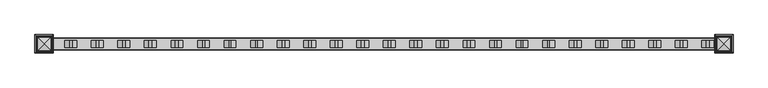
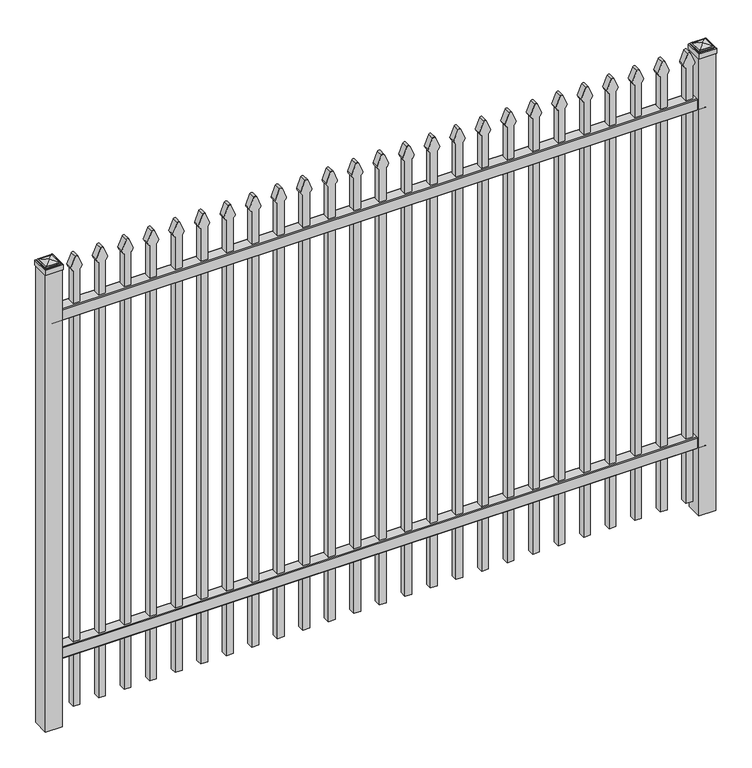
"""IFC4 building model written with IfcOpenShell, lengths in millimetres: railing geometry."""

from ifc_helpers import new_model, si_unit, point, frame, frame_2d, origin, origin_with_axes, place, context, project, spatial, polyline, circle_curve, ellipse_curve, trimmed, segment, composite_curve, outline, extrude, source, transform, mapped, element, save
from ifc_brep_helpers import plane_surface, cylinder_surface, advanced_brep


def railing_752b0fb3(model_context):
    return source(origin(), model_context, "Body", "SolidModel", [
        extrude(outline(composite_curve([segment(polyline([(10349.9139761, 304.8), (10387.969541, 304.8)]), True, "CONTINUOUS"), segment(trimmed(circle_curve(frame_2d((10387.969541, 301.625)), 3.175), [point((10387.969541, 304.8))], [point((10391.144541, 301.625))], False, "CARTESIAN"), True, "CONTINUOUS"), segment(polyline([(10391.144541, 301.625), (10391.144541, 262.1439893)]), True, "CONTINUOUS"), segment(trimmed(circle_curve(frame_2d((10389.3505518, 262.1439893)), 1.7939893), [point((10391.144541, 262.1439893))], [point((10389.3505518, 260.35))], False, "CARTESIAN"), True, "CONTINUOUS"), segment(polyline([(10389.3505518, 260.35), (10386.7590713, 260.35)]), True, "CONTINUOUS"), segment(trimmed(circle_curve(frame_2d((10386.7590713, 262.1359375)), 1.7859375), [point((10386.7590713, 260.35))], [point((10384.9755813, 262.0424688))], False, "CARTESIAN"), True, "CONTINUOUS"), segment(polyline([(10384.9755813, 262.0424688), (10383.4025867, 292.0569942), (10354.4364954, 292.0569942), (10352.8635007, 262.0424688)]), True, "CONTINUOUS"), segment(trimmed(circle_curve(frame_2d((10351.0800108, 262.1359375)), 1.7859375), [point((10352.8635007, 262.0424688))], [point((10351.0800108, 260.35))], False, "CARTESIAN"), True, "CONTINUOUS"), segment(polyline([(10351.0800108, 260.35), (10348.4804785, 260.35)]), True, "CONTINUOUS"), segment(trimmed(circle_curve(frame_2d((10348.4804785, 262.1359375)), 1.7859375), [point((10348.4804785, 260.35))], [point((10346.694541, 262.1359375))], False, "CARTESIAN"), True, "CONTINUOUS"), segment(polyline([(10346.694541, 262.1359375), (10346.694541, 301.5805649)]), True, "CONTINUOUS"), segment(trimmed(circle_curve(frame_2d((10349.9139761, 301.5805649)), 3.2194351), [point((10346.694541, 301.5805649))], [point((10349.9139761, 304.8))], False, "CARTESIAN"), True, "CONTINUOUS")], self_intersect=False)), frame((-33015.4649936, 0.0, 0.0), z_axis=(1.0, 0.0, 0.0), x_axis=(0.0, 1.0, 0.0)), (0.0, 0.0, 1.0), 2438.4),
        extrude(outline(composite_curve([segment(polyline([(10349.9139761, 1639.8875), (10387.969541, 1639.8875)]), True, "CONTINUOUS"), segment(trimmed(circle_curve(frame_2d((10387.969541, 1636.7125)), 3.175), [point((10387.969541, 1639.8875))], [point((10391.144541, 1636.7125))], False, "CARTESIAN"), True, "CONTINUOUS"), segment(polyline([(10391.144541, 1636.7125), (10391.144541, 1597.2314893)]), True, "CONTINUOUS"), segment(trimmed(circle_curve(frame_2d((10389.3505518, 1597.2314893)), 1.7939893), [point((10391.144541, 1597.2314893))], [point((10389.3505518, 1595.4375))], False, "CARTESIAN"), True, "CONTINUOUS"), segment(polyline([(10389.3505518, 1595.4375), (10386.7590713, 1595.4375)]), True, "CONTINUOUS"), segment(trimmed(circle_curve(frame_2d((10386.7590713, 1597.2234375)), 1.7859375), [point((10386.7590713, 1595.4375))], [point((10384.9755813, 1597.1299688))], False, "CARTESIAN"), True, "CONTINUOUS"), segment(polyline([(10384.9755813, 1597.1299688), (10383.4025867, 1627.1444942), (10354.4364954, 1627.1444942), (10352.8635007, 1597.1299688)]), True, "CONTINUOUS"), segment(trimmed(circle_curve(frame_2d((10351.0800108, 1597.2234375)), 1.7859375), [point((10352.8635007, 1597.1299688))], [point((10351.0800108, 1595.4375))], False, "CARTESIAN"), True, "CONTINUOUS"), segment(polyline([(10351.0800108, 1595.4375), (10348.4804785, 1595.4375)]), True, "CONTINUOUS"), segment(trimmed(circle_curve(frame_2d((10348.4804785, 1597.2234375)), 1.7859375), [point((10348.4804785, 1595.4375))], [point((10346.694541, 1597.2234375))], False, "CARTESIAN"), True, "CONTINUOUS"), segment(polyline([(10346.694541, 1597.2234375), (10346.694541, 1636.6680649)]), True, "CONTINUOUS"), segment(trimmed(circle_curve(frame_2d((10349.9139761, 1636.6680649)), 3.2194351), [point((10346.694541, 1636.6680649))], [point((10349.9139761, 1639.8875))], False, "CARTESIAN"), True, "CONTINUOUS")], self_intersect=False)), frame((-33015.4649936, 0.0, 0.0), z_axis=(1.0, 0.0, 0.0), x_axis=(0.0, 1.0, 0.0)), (0.0, 0.0, 1.0), 2438.4),
        extrude(outline(composite_curve([segment(polyline([(1769.4798417, -30646.9149936), (50.8, -30646.9149936), (50.8, -30621.5149936), (1769.2579232, -30621.5149936)]), True, "CONTINUOUS"), segment(trimmed(circle_curve(frame_2d((1787.7299402, -30635.3872336)), 23.1009622), [point((1769.2579232, -30621.5149936))], [point((1782.2676176, -30612.9413545))], False, "CARTESIAN"), True, "CONTINUOUS"), segment(polyline([(1782.2676176, -30612.9413545), (1822.7555225, -30629.2605644)]), True, "CONTINUOUS"), segment(trimmed(circle_curve(frame_2d((1819.6045804, -30634.3905764)), 6.0204202), [point((1822.7555225, -30629.2605644))], [point((1822.7555225, -30639.5205884))], False, "CARTESIAN"), True, "CONTINUOUS"), segment(polyline([(1822.7555225, -30639.5205884), (1783.5339948, -30655.4687724)]), True, "CONTINUOUS"), segment(trimmed(circle_curve(frame_2d((1787.7299402, -30632.7520716)), 23.1009622), [point((1783.5339948, -30655.4687724))], [point((1769.4798417, -30646.9149936))], False, "CARTESIAN"), True, "CONTINUOUS")], self_intersect=False)), frame((0.0, 10356.219541, 0.0), z_axis=(0.0, 1.0, 0.0), x_axis=(0.0, 0.0, 1.0)), (0.0, 0.0, 1.0), 25.4),
        extrude(outline(composite_curve([segment(polyline([(1769.4798417, -30742.1649936), (50.8, -30742.1649936), (50.8, -30716.7649936), (1769.2579232, -30716.7649936)]), True, "CONTINUOUS"), segment(trimmed(circle_curve(frame_2d((1787.7299402, -30730.6372336)), 23.1009622), [point((1769.2579232, -30716.7649936))], [point((1782.2676176, -30708.1913545))], False, "CARTESIAN"), True, "CONTINUOUS"), segment(polyline([(1782.2676176, -30708.1913545), (1822.7555225, -30724.5105644)]), True, "CONTINUOUS"), segment(trimmed(circle_curve(frame_2d((1819.6045804, -30729.6405764)), 6.0204202), [point((1822.7555225, -30724.5105644))], [point((1822.7555225, -30734.7705884))], False, "CARTESIAN"), True, "CONTINUOUS"), segment(polyline([(1822.7555225, -30734.7705884), (1783.5339948, -30750.7187724)]), True, "CONTINUOUS"), segment(trimmed(circle_curve(frame_2d((1787.7299402, -30728.0020716)), 23.1009622), [point((1783.5339948, -30750.7187724))], [point((1769.4798417, -30742.1649936))], False, "CARTESIAN"), True, "CONTINUOUS")], self_intersect=False)), frame((0.0, 10356.219541, 0.0), z_axis=(0.0, 1.0, 0.0), x_axis=(0.0, 0.0, 1.0)), (0.0, 0.0, 1.0), 25.4),
        extrude(outline(composite_curve([segment(polyline([(1769.4798417, -30837.4149936), (50.8, -30837.4149936), (50.8, -30812.0149936), (1769.2579232, -30812.0149936)]), True, "CONTINUOUS"), segment(trimmed(circle_curve(frame_2d((1787.7299402, -30825.8872336)), 23.1009622), [point((1769.2579232, -30812.0149936))], [point((1782.2676176, -30803.4413545))], False, "CARTESIAN"), True, "CONTINUOUS"), segment(polyline([(1782.2676176, -30803.4413545), (1822.7555225, -30819.7605644)]), True, "CONTINUOUS"), segment(trimmed(circle_curve(frame_2d((1819.6045804, -30824.8905764)), 6.0204202), [point((1822.7555225, -30819.7605644))], [point((1822.7555225, -30830.0205884))], False, "CARTESIAN"), True, "CONTINUOUS"), segment(polyline([(1822.7555225, -30830.0205884), (1783.5339948, -30845.9687724)]), True, "CONTINUOUS"), segment(trimmed(circle_curve(frame_2d((1787.7299402, -30823.2520716)), 23.1009622), [point((1783.5339948, -30845.9687724))], [point((1769.4798417, -30837.4149936))], False, "CARTESIAN"), True, "CONTINUOUS")], self_intersect=False)), frame((0.0, 10356.219541, 0.0), z_axis=(0.0, 1.0, 0.0), x_axis=(0.0, 0.0, 1.0)), (0.0, 0.0, 1.0), 25.4),
        extrude(outline(composite_curve([segment(polyline([(1769.4798417, -30932.6649936), (50.8, -30932.6649936), (50.8, -30907.2649936), (1769.2579232, -30907.2649936)]), True, "CONTINUOUS"), segment(trimmed(circle_curve(frame_2d((1787.7299402, -30921.1372336)), 23.1009622), [point((1769.2579232, -30907.2649936))], [point((1782.2676176, -30898.6913545))], False, "CARTESIAN"), True, "CONTINUOUS"), segment(polyline([(1782.2676176, -30898.6913545), (1822.7555225, -30915.0105644)]), True, "CONTINUOUS"), segment(trimmed(circle_curve(frame_2d((1819.6045804, -30920.1405764)), 6.0204202), [point((1822.7555225, -30915.0105644))], [point((1822.7555225, -30925.2705884))], False, "CARTESIAN"), True, "CONTINUOUS"), segment(polyline([(1822.7555225, -30925.2705884), (1783.5339948, -30941.2187724)]), True, "CONTINUOUS"), segment(trimmed(circle_curve(frame_2d((1787.7299402, -30918.5020716)), 23.1009622), [point((1783.5339948, -30941.2187724))], [point((1769.4798417, -30932.6649936))], False, "CARTESIAN"), True, "CONTINUOUS")], self_intersect=False)), frame((0.0, 10356.219541, 0.0), z_axis=(0.0, 1.0, 0.0), x_axis=(0.0, 0.0, 1.0)), (0.0, 0.0, 1.0), 25.4),
        extrude(outline(composite_curve([segment(polyline([(1769.4798417, -31027.9149936), (50.8, -31027.9149936), (50.8, -31002.5149936), (1769.2579232, -31002.5149936)]), True, "CONTINUOUS"), segment(trimmed(circle_curve(frame_2d((1787.7299402, -31016.3872336)), 23.1009622), [point((1769.2579232, -31002.5149936))], [point((1782.2676176, -30993.9413545))], False, "CARTESIAN"), True, "CONTINUOUS"), segment(polyline([(1782.2676176, -30993.9413545), (1822.7555225, -31010.2605644)]), True, "CONTINUOUS"), segment(trimmed(circle_curve(frame_2d((1819.6045804, -31015.3905764)), 6.0204202), [point((1822.7555225, -31010.2605644))], [point((1822.7555225, -31020.5205884))], False, "CARTESIAN"), True, "CONTINUOUS"), segment(polyline([(1822.7555225, -31020.5205884), (1783.5339948, -31036.4687724)]), True, "CONTINUOUS"), segment(trimmed(circle_curve(frame_2d((1787.7299402, -31013.7520716)), 23.1009622), [point((1783.5339948, -31036.4687724))], [point((1769.4798417, -31027.9149936))], False, "CARTESIAN"), True, "CONTINUOUS")], self_intersect=False)), frame((0.0, 10356.219541, 0.0), z_axis=(0.0, 1.0, 0.0), x_axis=(0.0, 0.0, 1.0)), (0.0, 0.0, 1.0), 25.4),
        extrude(outline(composite_curve([segment(polyline([(1769.4798417, -31123.1649936), (50.8, -31123.1649936), (50.8, -31097.7649936), (1769.2579232, -31097.7649936)]), True, "CONTINUOUS"), segment(trimmed(circle_curve(frame_2d((1787.7299402, -31111.6372336)), 23.1009622), [point((1769.2579232, -31097.7649936))], [point((1782.2676176, -31089.1913545))], False, "CARTESIAN"), True, "CONTINUOUS"), segment(polyline([(1782.2676176, -31089.1913545), (1822.7555225, -31105.5105644)]), True, "CONTINUOUS"), segment(trimmed(circle_curve(frame_2d((1819.6045804, -31110.6405764)), 6.0204202), [point((1822.7555225, -31105.5105644))], [point((1822.7555225, -31115.7705884))], False, "CARTESIAN"), True, "CONTINUOUS"), segment(polyline([(1822.7555225, -31115.7705884), (1783.5339948, -31131.7187724)]), True, "CONTINUOUS"), segment(trimmed(circle_curve(frame_2d((1787.7299402, -31109.0020716)), 23.1009622), [point((1783.5339948, -31131.7187724))], [point((1769.4798417, -31123.1649936))], False, "CARTESIAN"), True, "CONTINUOUS")], self_intersect=False)), frame((0.0, 10356.219541, 0.0), z_axis=(0.0, 1.0, 0.0), x_axis=(0.0, 0.0, 1.0)), (0.0, 0.0, 1.0), 25.4),
        extrude(outline(composite_curve([segment(polyline([(1769.4798417, -31218.4149936), (50.8, -31218.4149936), (50.8, -31193.0149936), (1769.2579232, -31193.0149936)]), True, "CONTINUOUS"), segment(trimmed(circle_curve(frame_2d((1787.7299402, -31206.8872336)), 23.1009622), [point((1769.2579232, -31193.0149936))], [point((1782.2676176, -31184.4413545))], False, "CARTESIAN"), True, "CONTINUOUS"), segment(polyline([(1782.2676176, -31184.4413545), (1822.7555225, -31200.7605644)]), True, "CONTINUOUS"), segment(trimmed(circle_curve(frame_2d((1819.6045804, -31205.8905764)), 6.0204202), [point((1822.7555225, -31200.7605644))], [point((1822.7555225, -31211.0205884))], False, "CARTESIAN"), True, "CONTINUOUS"), segment(polyline([(1822.7555225, -31211.0205884), (1783.5339948, -31226.9687724)]), True, "CONTINUOUS"), segment(trimmed(circle_curve(frame_2d((1787.7299402, -31204.2520716)), 23.1009622), [point((1783.5339948, -31226.9687724))], [point((1769.4798417, -31218.4149936))], False, "CARTESIAN"), True, "CONTINUOUS")], self_intersect=False)), frame((0.0, 10356.219541, 0.0), z_axis=(0.0, 1.0, 0.0), x_axis=(0.0, 0.0, 1.0)), (0.0, 0.0, 1.0), 25.4),
        extrude(outline(composite_curve([segment(polyline([(1769.4798417, -31313.6649936), (50.8, -31313.6649936), (50.8, -31288.2649936), (1769.2579232, -31288.2649936)]), True, "CONTINUOUS"), segment(trimmed(circle_curve(frame_2d((1787.7299402, -31302.1372336)), 23.1009622), [point((1769.2579232, -31288.2649936))], [point((1782.2676176, -31279.6913545))], False, "CARTESIAN"), True, "CONTINUOUS"), segment(polyline([(1782.2676176, -31279.6913545), (1822.7555225, -31296.0105644)]), True, "CONTINUOUS"), segment(trimmed(circle_curve(frame_2d((1819.6045804, -31301.1405764)), 6.0204202), [point((1822.7555225, -31296.0105644))], [point((1822.7555225, -31306.2705884))], False, "CARTESIAN"), True, "CONTINUOUS"), segment(polyline([(1822.7555225, -31306.2705884), (1783.5339948, -31322.2187724)]), True, "CONTINUOUS"), segment(trimmed(circle_curve(frame_2d((1787.7299402, -31299.5020716)), 23.1009622), [point((1783.5339948, -31322.2187724))], [point((1769.4798417, -31313.6649936))], False, "CARTESIAN"), True, "CONTINUOUS")], self_intersect=False)), frame((0.0, 10356.219541, 0.0), z_axis=(0.0, 1.0, 0.0), x_axis=(0.0, 0.0, 1.0)), (0.0, 0.0, 1.0), 25.4),
        extrude(outline(composite_curve([segment(polyline([(1769.4798417, -31408.9149936), (50.8, -31408.9149936), (50.8, -31383.5149936), (1769.2579232, -31383.5149936)]), True, "CONTINUOUS"), segment(trimmed(circle_curve(frame_2d((1787.7299402, -31397.3872336)), 23.1009622), [point((1769.2579232, -31383.5149936))], [point((1782.2676176, -31374.9413545))], False, "CARTESIAN"), True, "CONTINUOUS"), segment(polyline([(1782.2676176, -31374.9413545), (1822.7555225, -31391.2605644)]), True, "CONTINUOUS"), segment(trimmed(circle_curve(frame_2d((1819.6045804, -31396.3905764)), 6.0204202), [point((1822.7555225, -31391.2605644))], [point((1822.7555225, -31401.5205884))], False, "CARTESIAN"), True, "CONTINUOUS"), segment(polyline([(1822.7555225, -31401.5205884), (1783.5339948, -31417.4687724)]), True, "CONTINUOUS"), segment(trimmed(circle_curve(frame_2d((1787.7299402, -31394.7520716)), 23.1009622), [point((1783.5339948, -31417.4687724))], [point((1769.4798417, -31408.9149936))], False, "CARTESIAN"), True, "CONTINUOUS")], self_intersect=False)), frame((0.0, 10356.219541, 0.0), z_axis=(0.0, 1.0, 0.0), x_axis=(0.0, 0.0, 1.0)), (0.0, 0.0, 1.0), 25.4),
        extrude(outline(composite_curve([segment(polyline([(1769.4798417, -31504.1649936), (50.8, -31504.1649936), (50.8, -31478.7649936), (1769.2579232, -31478.7649936)]), True, "CONTINUOUS"), segment(trimmed(circle_curve(frame_2d((1787.7299402, -31492.6372336)), 23.1009622), [point((1769.2579232, -31478.7649936))], [point((1782.2676176, -31470.1913545))], False, "CARTESIAN"), True, "CONTINUOUS"), segment(polyline([(1782.2676176, -31470.1913545), (1822.7555225, -31486.5105644)]), True, "CONTINUOUS"), segment(trimmed(circle_curve(frame_2d((1819.6045804, -31491.6405764)), 6.0204202), [point((1822.7555225, -31486.5105644))], [point((1822.7555225, -31496.7705884))], False, "CARTESIAN"), True, "CONTINUOUS"), segment(polyline([(1822.7555225, -31496.7705884), (1783.5339948, -31512.7187724)]), True, "CONTINUOUS"), segment(trimmed(circle_curve(frame_2d((1787.7299402, -31490.0020716)), 23.1009622), [point((1783.5339948, -31512.7187724))], [point((1769.4798417, -31504.1649936))], False, "CARTESIAN"), True, "CONTINUOUS")], self_intersect=False)), frame((0.0, 10356.219541, 0.0), z_axis=(0.0, 1.0, 0.0), x_axis=(0.0, 0.0, 1.0)), (0.0, 0.0, 1.0), 25.4),
        extrude(outline(composite_curve([segment(polyline([(1769.4798417, -31599.4149936), (50.8, -31599.4149936), (50.8, -31574.0149936), (1769.2579232, -31574.0149936)]), True, "CONTINUOUS"), segment(trimmed(circle_curve(frame_2d((1787.7299402, -31587.8872336)), 23.1009622), [point((1769.2579232, -31574.0149936))], [point((1782.2676176, -31565.4413545))], False, "CARTESIAN"), True, "CONTINUOUS"), segment(polyline([(1782.2676176, -31565.4413545), (1822.7555225, -31581.7605644)]), True, "CONTINUOUS"), segment(trimmed(circle_curve(frame_2d((1819.6045804, -31586.8905764)), 6.0204202), [point((1822.7555225, -31581.7605644))], [point((1822.7555225, -31592.0205884))], False, "CARTESIAN"), True, "CONTINUOUS"), segment(polyline([(1822.7555225, -31592.0205884), (1783.5339948, -31607.9687724)]), True, "CONTINUOUS"), segment(trimmed(circle_curve(frame_2d((1787.7299402, -31585.2520716)), 23.1009622), [point((1783.5339948, -31607.9687724))], [point((1769.4798417, -31599.4149936))], False, "CARTESIAN"), True, "CONTINUOUS")], self_intersect=False)), frame((0.0, 10356.219541, 0.0), z_axis=(0.0, 1.0, 0.0), x_axis=(0.0, 0.0, 1.0)), (0.0, 0.0, 1.0), 25.4),
        extrude(outline(composite_curve([segment(polyline([(1769.4798417, -31694.6649936), (50.8, -31694.6649936), (50.8, -31669.2649936), (1769.2579232, -31669.2649936)]), True, "CONTINUOUS"), segment(trimmed(circle_curve(frame_2d((1787.7299402, -31683.1372336)), 23.1009622), [point((1769.2579232, -31669.2649936))], [point((1782.2676176, -31660.6913545))], False, "CARTESIAN"), True, "CONTINUOUS"), segment(polyline([(1782.2676176, -31660.6913545), (1822.7555225, -31677.0105644)]), True, "CONTINUOUS"), segment(trimmed(circle_curve(frame_2d((1819.6045804, -31682.1405764)), 6.0204202), [point((1822.7555225, -31677.0105644))], [point((1822.7555225, -31687.2705884))], False, "CARTESIAN"), True, "CONTINUOUS"), segment(polyline([(1822.7555225, -31687.2705884), (1783.5339948, -31703.2187724)]), True, "CONTINUOUS"), segment(trimmed(circle_curve(frame_2d((1787.7299402, -31680.5020716)), 23.1009622), [point((1783.5339948, -31703.2187724))], [point((1769.4798417, -31694.6649936))], False, "CARTESIAN"), True, "CONTINUOUS")], self_intersect=False)), frame((0.0, 10356.219541, 0.0), z_axis=(0.0, 1.0, 0.0), x_axis=(0.0, 0.0, 1.0)), (0.0, 0.0, 1.0), 25.4),
        extrude(outline(composite_curve([segment(polyline([(1769.4798417, -31789.9149936), (50.8, -31789.9149936), (50.8, -31764.5149936), (1769.2579232, -31764.5149936)]), True, "CONTINUOUS"), segment(trimmed(circle_curve(frame_2d((1787.7299402, -31778.3872336)), 23.1009622), [point((1769.2579232, -31764.5149936))], [point((1782.2676176, -31755.9413545))], False, "CARTESIAN"), True, "CONTINUOUS"), segment(polyline([(1782.2676176, -31755.9413545), (1822.7555225, -31772.2605644)]), True, "CONTINUOUS"), segment(trimmed(circle_curve(frame_2d((1819.6045804, -31777.3905764)), 6.0204202), [point((1822.7555225, -31772.2605644))], [point((1822.7555225, -31782.5205884))], False, "CARTESIAN"), True, "CONTINUOUS"), segment(polyline([(1822.7555225, -31782.5205884), (1783.5339948, -31798.4687724)]), True, "CONTINUOUS"), segment(trimmed(circle_curve(frame_2d((1787.7299402, -31775.7520716)), 23.1009622), [point((1783.5339948, -31798.4687724))], [point((1769.4798417, -31789.9149936))], False, "CARTESIAN"), True, "CONTINUOUS")], self_intersect=False)), frame((0.0, 10356.219541, 0.0), z_axis=(0.0, 1.0, 0.0), x_axis=(0.0, 0.0, 1.0)), (0.0, 0.0, 1.0), 25.4),
        extrude(outline(composite_curve([segment(polyline([(1769.4798417, -31885.1649936), (50.8, -31885.1649936), (50.8, -31859.7649936), (1769.2579232, -31859.7649936)]), True, "CONTINUOUS"), segment(trimmed(circle_curve(frame_2d((1787.7299402, -31873.6372336)), 23.1009622), [point((1769.2579232, -31859.7649936))], [point((1782.2676176, -31851.1913545))], False, "CARTESIAN"), True, "CONTINUOUS"), segment(polyline([(1782.2676176, -31851.1913545), (1822.7555225, -31867.5105644)]), True, "CONTINUOUS"), segment(trimmed(circle_curve(frame_2d((1819.6045804, -31872.6405764)), 6.0204202), [point((1822.7555225, -31867.5105644))], [point((1822.7555225, -31877.7705884))], False, "CARTESIAN"), True, "CONTINUOUS"), segment(polyline([(1822.7555225, -31877.7705884), (1783.5339948, -31893.7187724)]), True, "CONTINUOUS"), segment(trimmed(circle_curve(frame_2d((1787.7299402, -31871.0020716)), 23.1009622), [point((1783.5339948, -31893.7187724))], [point((1769.4798417, -31885.1649936))], False, "CARTESIAN"), True, "CONTINUOUS")], self_intersect=False)), frame((0.0, 10356.219541, 0.0), z_axis=(0.0, 1.0, 0.0), x_axis=(0.0, 0.0, 1.0)), (0.0, 0.0, 1.0), 25.4),
        extrude(outline(composite_curve([segment(polyline([(1769.4798417, -31980.4149936), (50.8, -31980.4149936), (50.8, -31955.0149936), (1769.2579232, -31955.0149936)]), True, "CONTINUOUS"), segment(trimmed(circle_curve(frame_2d((1787.7299402, -31968.8872336)), 23.1009622), [point((1769.2579232, -31955.0149936))], [point((1782.2676176, -31946.4413545))], False, "CARTESIAN"), True, "CONTINUOUS"), segment(polyline([(1782.2676176, -31946.4413545), (1822.7555225, -31962.7605644)]), True, "CONTINUOUS"), segment(trimmed(circle_curve(frame_2d((1819.6045804, -31967.8905764)), 6.0204202), [point((1822.7555225, -31962.7605644))], [point((1822.7555225, -31973.0205884))], False, "CARTESIAN"), True, "CONTINUOUS"), segment(polyline([(1822.7555225, -31973.0205884), (1783.5339948, -31988.9687724)]), True, "CONTINUOUS"), segment(trimmed(circle_curve(frame_2d((1787.7299402, -31966.2520716)), 23.1009622), [point((1783.5339948, -31988.9687724))], [point((1769.4798417, -31980.4149936))], False, "CARTESIAN"), True, "CONTINUOUS")], self_intersect=False)), frame((0.0, 10356.219541, 0.0), z_axis=(0.0, 1.0, 0.0), x_axis=(0.0, 0.0, 1.0)), (0.0, 0.0, 1.0), 25.4),
        extrude(outline(composite_curve([segment(polyline([(1769.4798417, -32075.6649936), (50.8, -32075.6649936), (50.8, -32050.2649936), (1769.2579232, -32050.2649936)]), True, "CONTINUOUS"), segment(trimmed(circle_curve(frame_2d((1787.7299402, -32064.1372336)), 23.1009622), [point((1769.2579232, -32050.2649936))], [point((1782.2676176, -32041.6913545))], False, "CARTESIAN"), True, "CONTINUOUS"), segment(polyline([(1782.2676176, -32041.6913545), (1822.7555225, -32058.0105644)]), True, "CONTINUOUS"), segment(trimmed(circle_curve(frame_2d((1819.6045804, -32063.1405764)), 6.0204202), [point((1822.7555225, -32058.0105644))], [point((1822.7555225, -32068.2705884))], False, "CARTESIAN"), True, "CONTINUOUS"), segment(polyline([(1822.7555225, -32068.2705884), (1783.5339948, -32084.2187724)]), True, "CONTINUOUS"), segment(trimmed(circle_curve(frame_2d((1787.7299402, -32061.5020716)), 23.1009622), [point((1783.5339948, -32084.2187724))], [point((1769.4798417, -32075.6649936))], False, "CARTESIAN"), True, "CONTINUOUS")], self_intersect=False)), frame((0.0, 10356.219541, 0.0), z_axis=(0.0, 1.0, 0.0), x_axis=(0.0, 0.0, 1.0)), (0.0, 0.0, 1.0), 25.4),
        extrude(outline(composite_curve([segment(polyline([(1769.4798417, -32170.9149936), (50.8, -32170.9149936), (50.8, -32145.5149936), (1769.2579232, -32145.5149936)]), True, "CONTINUOUS"), segment(trimmed(circle_curve(frame_2d((1787.7299402, -32159.3872336)), 23.1009622), [point((1769.2579232, -32145.5149936))], [point((1782.2676176, -32136.9413545))], False, "CARTESIAN"), True, "CONTINUOUS"), segment(polyline([(1782.2676176, -32136.9413545), (1822.7555225, -32153.2605644)]), True, "CONTINUOUS"), segment(trimmed(circle_curve(frame_2d((1819.6045804, -32158.3905764)), 6.0204202), [point((1822.7555225, -32153.2605644))], [point((1822.7555225, -32163.5205884))], False, "CARTESIAN"), True, "CONTINUOUS"), segment(polyline([(1822.7555225, -32163.5205884), (1783.5339948, -32179.4687724)]), True, "CONTINUOUS"), segment(trimmed(circle_curve(frame_2d((1787.7299402, -32156.7520716)), 23.1009622), [point((1783.5339948, -32179.4687724))], [point((1769.4798417, -32170.9149936))], False, "CARTESIAN"), True, "CONTINUOUS")], self_intersect=False)), frame((0.0, 10356.219541, 0.0), z_axis=(0.0, 1.0, 0.0), x_axis=(0.0, 0.0, 1.0)), (0.0, 0.0, 1.0), 25.4),
        extrude(outline(composite_curve([segment(polyline([(1769.4798417, -32266.1649936), (50.8, -32266.1649936), (50.8, -32240.7649936), (1769.2579232, -32240.7649936)]), True, "CONTINUOUS"), segment(trimmed(circle_curve(frame_2d((1787.7299402, -32254.6372336)), 23.1009622), [point((1769.2579232, -32240.7649936))], [point((1782.2676176, -32232.1913545))], False, "CARTESIAN"), True, "CONTINUOUS"), segment(polyline([(1782.2676176, -32232.1913545), (1822.7555225, -32248.5105644)]), True, "CONTINUOUS"), segment(trimmed(circle_curve(frame_2d((1819.6045804, -32253.6405764)), 6.0204202), [point((1822.7555225, -32248.5105644))], [point((1822.7555225, -32258.7705884))], False, "CARTESIAN"), True, "CONTINUOUS"), segment(polyline([(1822.7555225, -32258.7705884), (1783.5339948, -32274.7187724)]), True, "CONTINUOUS"), segment(trimmed(circle_curve(frame_2d((1787.7299402, -32252.0020716)), 23.1009622), [point((1783.5339948, -32274.7187724))], [point((1769.4798417, -32266.1649936))], False, "CARTESIAN"), True, "CONTINUOUS")], self_intersect=False)), frame((0.0, 10356.219541, 0.0), z_axis=(0.0, 1.0, 0.0), x_axis=(0.0, 0.0, 1.0)), (0.0, 0.0, 1.0), 25.4),
        extrude(outline(composite_curve([segment(polyline([(1769.4798417, -32361.4149936), (50.8, -32361.4149936), (50.8, -32336.0149936), (1769.2579232, -32336.0149936)]), True, "CONTINUOUS"), segment(trimmed(circle_curve(frame_2d((1787.7299402, -32349.8872336)), 23.1009622), [point((1769.2579232, -32336.0149936))], [point((1782.2676176, -32327.4413545))], False, "CARTESIAN"), True, "CONTINUOUS"), segment(polyline([(1782.2676176, -32327.4413545), (1822.7555225, -32343.7605644)]), True, "CONTINUOUS"), segment(trimmed(circle_curve(frame_2d((1819.6045804, -32348.8905764)), 6.0204202), [point((1822.7555225, -32343.7605644))], [point((1822.7555225, -32354.0205884))], False, "CARTESIAN"), True, "CONTINUOUS"), segment(polyline([(1822.7555225, -32354.0205884), (1783.5339948, -32369.9687724)]), True, "CONTINUOUS"), segment(trimmed(circle_curve(frame_2d((1787.7299402, -32347.2520716)), 23.1009622), [point((1783.5339948, -32369.9687724))], [point((1769.4798417, -32361.4149936))], False, "CARTESIAN"), True, "CONTINUOUS")], self_intersect=False)), frame((0.0, 10356.219541, 0.0), z_axis=(0.0, 1.0, 0.0), x_axis=(0.0, 0.0, 1.0)), (0.0, 0.0, 1.0), 25.4),
        extrude(outline(composite_curve([segment(polyline([(1769.4798417, -32456.6649936), (50.8, -32456.6649936), (50.8, -32431.2649936), (1769.2579232, -32431.2649936)]), True, "CONTINUOUS"), segment(trimmed(circle_curve(frame_2d((1787.7299402, -32445.1372336)), 23.1009622), [point((1769.2579232, -32431.2649936))], [point((1782.2676176, -32422.6913545))], False, "CARTESIAN"), True, "CONTINUOUS"), segment(polyline([(1782.2676176, -32422.6913545), (1822.7555225, -32439.0105644)]), True, "CONTINUOUS"), segment(trimmed(circle_curve(frame_2d((1819.6045804, -32444.1405764)), 6.0204202), [point((1822.7555225, -32439.0105644))], [point((1822.7555225, -32449.2705884))], False, "CARTESIAN"), True, "CONTINUOUS"), segment(polyline([(1822.7555225, -32449.2705884), (1783.5339948, -32465.2187724)]), True, "CONTINUOUS"), segment(trimmed(circle_curve(frame_2d((1787.7299402, -32442.5020716)), 23.1009622), [point((1783.5339948, -32465.2187724))], [point((1769.4798417, -32456.6649936))], False, "CARTESIAN"), True, "CONTINUOUS")], self_intersect=False)), frame((0.0, 10356.219541, 0.0), z_axis=(0.0, 1.0, 0.0), x_axis=(0.0, 0.0, 1.0)), (0.0, 0.0, 1.0), 25.4),
        extrude(outline(composite_curve([segment(polyline([(1769.4798417, -32551.9149936), (50.8, -32551.9149936), (50.8, -32526.5149936), (1769.2579232, -32526.5149936)]), True, "CONTINUOUS"), segment(trimmed(circle_curve(frame_2d((1787.7299402, -32540.3872336)), 23.1009622), [point((1769.2579232, -32526.5149936))], [point((1782.2676176, -32517.9413545))], False, "CARTESIAN"), True, "CONTINUOUS"), segment(polyline([(1782.2676176, -32517.9413545), (1822.7555225, -32534.2605644)]), True, "CONTINUOUS"), segment(trimmed(circle_curve(frame_2d((1819.6045804, -32539.3905764)), 6.0204202), [point((1822.7555225, -32534.2605644))], [point((1822.7555225, -32544.5205884))], False, "CARTESIAN"), True, "CONTINUOUS"), segment(polyline([(1822.7555225, -32544.5205884), (1783.5339948, -32560.4687724)]), True, "CONTINUOUS"), segment(trimmed(circle_curve(frame_2d((1787.7299402, -32537.7520716)), 23.1009622), [point((1783.5339948, -32560.4687724))], [point((1769.4798417, -32551.9149936))], False, "CARTESIAN"), True, "CONTINUOUS")], self_intersect=False)), frame((0.0, 10356.219541, 0.0), z_axis=(0.0, 1.0, 0.0), x_axis=(0.0, 0.0, 1.0)), (0.0, 0.0, 1.0), 25.4),
        extrude(outline(composite_curve([segment(polyline([(1769.4798417, -32647.1649936), (50.8, -32647.1649936), (50.8, -32621.7649936), (1769.2579232, -32621.7649936)]), True, "CONTINUOUS"), segment(trimmed(circle_curve(frame_2d((1787.7299402, -32635.6372336)), 23.1009622), [point((1769.2579232, -32621.7649936))], [point((1782.2676176, -32613.1913545))], False, "CARTESIAN"), True, "CONTINUOUS"), segment(polyline([(1782.2676176, -32613.1913545), (1822.7555225, -32629.5105644)]), True, "CONTINUOUS"), segment(trimmed(circle_curve(frame_2d((1819.6045804, -32634.6405764)), 6.0204202), [point((1822.7555225, -32629.5105644))], [point((1822.7555225, -32639.7705884))], False, "CARTESIAN"), True, "CONTINUOUS"), segment(polyline([(1822.7555225, -32639.7705884), (1783.5339948, -32655.7187724)]), True, "CONTINUOUS"), segment(trimmed(circle_curve(frame_2d((1787.7299402, -32633.0020716)), 23.1009622), [point((1783.5339948, -32655.7187724))], [point((1769.4798417, -32647.1649936))], False, "CARTESIAN"), True, "CONTINUOUS")], self_intersect=False)), frame((0.0, 10356.219541, 0.0), z_axis=(0.0, 1.0, 0.0), x_axis=(0.0, 0.0, 1.0)), (0.0, 0.0, 1.0), 25.4),
        extrude(outline(composite_curve([segment(polyline([(1769.4798417, -32742.4149936), (50.8, -32742.4149936), (50.8, -32717.0149936), (1769.2579232, -32717.0149936)]), True, "CONTINUOUS"), segment(trimmed(circle_curve(frame_2d((1787.7299402, -32730.8872336)), 23.1009622), [point((1769.2579232, -32717.0149936))], [point((1782.2676176, -32708.4413545))], False, "CARTESIAN"), True, "CONTINUOUS"), segment(polyline([(1782.2676176, -32708.4413545), (1822.7555225, -32724.7605644)]), True, "CONTINUOUS"), segment(trimmed(circle_curve(frame_2d((1819.6045804, -32729.8905764)), 6.0204202), [point((1822.7555225, -32724.7605644))], [point((1822.7555225, -32735.0205884))], False, "CARTESIAN"), True, "CONTINUOUS"), segment(polyline([(1822.7555225, -32735.0205884), (1783.5339948, -32750.9687724)]), True, "CONTINUOUS"), segment(trimmed(circle_curve(frame_2d((1787.7299402, -32728.2520716)), 23.1009622), [point((1783.5339948, -32750.9687724))], [point((1769.4798417, -32742.4149936))], False, "CARTESIAN"), True, "CONTINUOUS")], self_intersect=False)), frame((0.0, 10356.219541, 0.0), z_axis=(0.0, 1.0, 0.0), x_axis=(0.0, 0.0, 1.0)), (0.0, 0.0, 1.0), 25.4),
        extrude(outline(composite_curve([segment(polyline([(1769.4798417, -32837.6649936), (50.8, -32837.6649936), (50.8, -32812.2649936), (1769.2579232, -32812.2649936)]), True, "CONTINUOUS"), segment(trimmed(circle_curve(frame_2d((1787.7299402, -32826.1372336)), 23.1009622), [point((1769.2579232, -32812.2649936))], [point((1782.2676176, -32803.6913545))], False, "CARTESIAN"), True, "CONTINUOUS"), segment(polyline([(1782.2676176, -32803.6913545), (1822.7555225, -32820.0105644)]), True, "CONTINUOUS"), segment(trimmed(circle_curve(frame_2d((1819.6045804, -32825.1405764)), 6.0204202), [point((1822.7555225, -32820.0105644))], [point((1822.7555225, -32830.2705884))], False, "CARTESIAN"), True, "CONTINUOUS"), segment(polyline([(1822.7555225, -32830.2705884), (1783.5339948, -32846.2187724)]), True, "CONTINUOUS"), segment(trimmed(circle_curve(frame_2d((1787.7299402, -32823.5020716)), 23.1009622), [point((1783.5339948, -32846.2187724))], [point((1769.4798417, -32837.6649936))], False, "CARTESIAN"), True, "CONTINUOUS")], self_intersect=False)), frame((0.0, 10356.219541, 0.0), z_axis=(0.0, 1.0, 0.0), x_axis=(0.0, 0.0, 1.0)), (0.0, 0.0, 1.0), 25.4),
        extrude(outline(composite_curve([segment(polyline([(1769.4798417, -32932.9149936), (50.8, -32932.9149936), (50.8, -32907.5149936), (1769.2579232, -32907.5149936)]), True, "CONTINUOUS"), segment(trimmed(circle_curve(frame_2d((1787.7299402, -32921.3872336)), 23.1009622), [point((1769.2579232, -32907.5149936))], [point((1782.2676176, -32898.9413545))], False, "CARTESIAN"), True, "CONTINUOUS"), segment(polyline([(1782.2676176, -32898.9413545), (1822.7555225, -32915.2605644)]), True, "CONTINUOUS"), segment(trimmed(circle_curve(frame_2d((1819.6045804, -32920.3905764)), 6.0204202), [point((1822.7555225, -32915.2605644))], [point((1822.7555225, -32925.5205884))], False, "CARTESIAN"), True, "CONTINUOUS"), segment(polyline([(1822.7555225, -32925.5205884), (1783.5339948, -32941.4687724)]), True, "CONTINUOUS"), segment(trimmed(circle_curve(frame_2d((1787.7299402, -32918.7520716)), 23.1009622), [point((1783.5339948, -32941.4687724))], [point((1769.4798417, -32932.9149936))], False, "CARTESIAN"), True, "CONTINUOUS")], self_intersect=False)), frame((0.0, 10356.219541, 0.0), z_axis=(0.0, 1.0, 0.0), x_axis=(0.0, 0.0, 1.0)), (0.0, 0.0, 1.0), 25.4),
        extrude(outline(polyline([(-30545.3149936, 10400.669541), (-30545.3149936, 10337.169541), (-30608.8149936, 10337.169541), (-30608.8149936, 10400.669541), (-30545.3149936, 10400.669541)])), origin_with_axes(), (0.0, 0.0, 1.0), 1804.9875),
        advanced_brep(
        [(-30610.4024936, 10402.257041, 1823.24375), (-30610.4024936, 10402.257041, 1804.9875), (-30610.4024936, 10335.582041, 1804.9875), (-30610.4024936, 10335.582041, 1823.24375), (-30608.0212436, 10399.875791, 1825.625), (-30608.0212436, 10337.963291, 1825.625), (-30605.6399936, 10397.494541, 1828.00625), (-30605.6399936, 10397.494541, 1825.625), (-30605.6399936, 10340.344541, 1825.625), (-30605.6399936, 10340.344541, 1828.00625), (-30603.2587436, 10395.113291, 1830.3875), (-30603.2587436, 10342.725791, 1830.3875), (-30577.0649936, 10368.919541, 1836.7375), (-30600.8774936, 10392.732041, 1830.3875), (-30600.8774936, 10345.107041, 1830.3875), (-30543.7274936, 10335.582041, 1804.9875), (-30543.7274936, 10335.582041, 1823.24375), (-30546.1087436, 10337.963291, 1825.625), (-30548.4899936, 10340.344541, 1825.625), (-30548.4899936, 10340.344541, 1828.00625), (-30550.8712436, 10342.725791, 1830.3875), (-30553.2524936, 10345.107041, 1830.3875), (-30543.7274936, 10402.257041, 1804.9875), (-30543.7274936, 10402.257041, 1823.24375), (-30546.1087436, 10399.875791, 1825.625), (-30548.4899936, 10397.494541, 1825.625), (-30548.4899936, 10397.494541, 1828.00625), (-30550.8712436, 10395.113291, 1830.3875), (-30553.2524936, 10392.732041, 1830.3875)],
        [
            (0, 1),
            (1, 2),
            (2, 3),
            (3, 0),
            (4, 0, ellipse_curve(frame((-30608.0212436, 10399.875791, 1823.24375), z_axis=(-0.70710678118655, -0.7071067811865449, 0.0), x_axis=(-0.7071067811865448, 0.7071067811865501, 0.0)), 3.367596, 2.38125)),
            (3, 5, ellipse_curve(frame((-30608.0212436, 10337.963291, 1823.24375), z_axis=(-0.7071067811865449, 0.70710678118655, 0.0), x_axis=(0.7071067811865499, 0.707106781186545, 0.0)), 3.367596, 2.38125)),
            (5, 4),
            (6, 7),
            (7, 8),
            (8, 9),
            (9, 6),
            (10, 6, ellipse_curve(frame((-30603.2587436, 10395.113291, 1828.00625), z_axis=(-0.70710678118655, -0.7071067811865449, 0.0), x_axis=(-0.7071067811865448, 0.7071067811865501, 0.0)), 3.367596, 2.38125)),
            (9, 11, ellipse_curve(frame((-30603.2587436, 10342.725791, 1828.00625), z_axis=(-0.7071067811865449, 0.70710678118655, 0.0), x_axis=(0.7071067811865499, 0.707106781186545, 0.0)), 3.367596, 2.38125)),
            (11, 10),
            (12, 13, ellipse_curve(frame((-30577.0649936, 10368.919541, 1788.9140625), z_axis=(-0.70710678118655, -0.7071067811865449, 0.0), x_axis=(-0.7071067811865448, 0.7071067811865501, 0.0)), 67.6325539, 47.8234375)),
            (13, 14),
            (14, 12, ellipse_curve(frame((-30577.0649936, 10368.919541, 1788.9140625), z_axis=(-0.7071067811865449, 0.70710678118655, 0.0), x_axis=(0.7071067811865499, 0.707106781186545, 0.0)), 67.6325539, 47.8234375)),
            (2, 15),
            (15, 16),
            (16, 3),
            (16, 17, ellipse_curve(frame((-30546.1087436, 10337.963291, 1823.24375), z_axis=(-0.70710678118655, -0.707106781186545, 0.0), x_axis=(-0.707106781186545, 0.70710678118655, 0.0)), 3.367596, 2.38125)),
            (17, 5),
            (8, 18),
            (18, 19),
            (19, 9),
            (19, 20, ellipse_curve(frame((-30550.8712436, 10342.725791, 1828.00625), z_axis=(-0.70710678118655, -0.707106781186545, 0.0), x_axis=(-0.707106781186545, 0.70710678118655, 0.0)), 3.367596, 2.38125)),
            (20, 11),
            (14, 21),
            (21, 12, ellipse_curve(frame((-30577.0649936, 10368.919541, 1788.9140625), z_axis=(-0.70710678118655, -0.707106781186545, 0.0), x_axis=(-0.707106781186545, 0.70710678118655, 0.0)), 67.6325539, 47.8234375)),
            (15, 22),
            (22, 23),
            (23, 16),
            (23, 24, ellipse_curve(frame((-30546.1087436, 10399.875791, 1823.24375), z_axis=(0.707106781186545, -0.7071067811865499, 0.0), x_axis=(-0.7071067811865497, -0.7071067811865452, 0.0)), 3.367596, 2.38125)),
            (24, 17),
            (18, 25),
            (25, 26),
            (26, 19),
            (26, 27, ellipse_curve(frame((-30550.8712436, 10395.113291, 1828.00625), z_axis=(0.707106781186545, -0.7071067811865499, 0.0), x_axis=(-0.7071067811865497, -0.7071067811865452, 0.0)), 3.367596, 2.38125)),
            (27, 20),
            (21, 28),
            (28, 12, ellipse_curve(frame((-30577.0649936, 10368.919541, 1788.9140625), z_axis=(0.707106781186545, -0.7071067811865499, 0.0), x_axis=(-0.7071067811865497, -0.7071067811865452, 0.0)), 67.6325539, 47.8234375)),
            (22, 1),
            (0, 23),
            (4, 24),
            (7, 25),
            (6, 26),
            (10, 27),
            (13, 28),
        ],
        [
            plane_surface(frame((-30610.4024936, 10402.257041, 1804.9875), z_axis=(-1.0, 0.0, 0.0), x_axis=(0.0, -1.0, 0.0))),
            cylinder_surface(frame((-30608.0212436, 10400.669541, 1823.24375), z_axis=(0.0, 1.0, 0.0), x_axis=(1.0, 0.0, 0.0)), 2.38125),
            plane_surface(frame((-30605.6399936, 10397.494541, 1825.625), z_axis=(-1.0, 0.0, 0.0), x_axis=(0.0, -1.0, 0.0))),
            cylinder_surface(frame((-30603.2587436, 10400.669541, 1828.00625), z_axis=(0.0, 1.0, 0.0), x_axis=(1.0, 0.0, 0.0)), 2.38125),
            cylinder_surface(frame((-30577.0649936, 10400.669541, 1788.9140625), z_axis=(0.0, 1.0, 0.0), x_axis=(1.0, 0.0, 0.0)), 47.8234375),
            plane_surface(frame((-30610.4024936, 10335.582041, 1804.9875), z_axis=(0.0, -1.0, 0.0), x_axis=(1.0, 0.0, 0.0))),
            cylinder_surface(frame((-30608.8149936, 10337.963291, 1823.24375), z_axis=(-1.0, 0.0, 0.0), x_axis=(0.0, 1.0, 0.0)), 2.38125),
            plane_surface(frame((-30605.6399936, 10340.344541, 1825.625), z_axis=(0.0, -1.0, 0.0), x_axis=(1.0, 0.0, 0.0))),
            cylinder_surface(frame((-30608.8149936, 10342.725791, 1828.00625), z_axis=(-1.0, 0.0, 0.0), x_axis=(0.0, 1.0, 0.0)), 2.38125),
            cylinder_surface(frame((-30608.8149936, 10368.919541, 1788.9140625), z_axis=(-1.0, 0.0, 0.0), x_axis=(0.0, 1.0, 0.0)), 47.8234375),
            plane_surface(frame((-30543.7274936, 10335.582041, 1804.9875), z_axis=(1.0, 0.0, 0.0), x_axis=(0.0, 1.0, 0.0))),
            cylinder_surface(frame((-30546.1087436, 10337.169541, 1823.24375), z_axis=(0.0, -1.0, 0.0), x_axis=(-1.0, 0.0, 0.0)), 2.38125),
            plane_surface(frame((-30548.4899936, 10340.344541, 1825.625), z_axis=(1.0, 0.0, 0.0), x_axis=(0.0, 1.0, 0.0))),
            cylinder_surface(frame((-30550.8712436, 10337.169541, 1828.00625), z_axis=(0.0, -1.0, 0.0), x_axis=(-1.0, 0.0, 0.0)), 2.38125),
            cylinder_surface(frame((-30577.0649936, 10337.169541, 1788.9140625), z_axis=(0.0, -1.0, 0.0), x_axis=(-1.0, 0.0, 0.0)), 47.8234375),
            plane_surface(frame((-30543.7274936, 10402.257041, 1804.9875), z_axis=(0.0, 1.0, 0.0), x_axis=(-1.0, 0.0, 0.0))),
            cylinder_surface(frame((-30545.3149936, 10399.875791, 1823.24375), z_axis=(1.0, 0.0, 0.0), x_axis=(0.0, -1.0, 0.0)), 2.38125),
            plane_surface(frame((-30546.1087436, 10399.875791, 1825.625), z_axis=(0.0, 0.0, 1.0), x_axis=(-1.0, 0.0, 0.0))),
            plane_surface(frame((-30548.4899936, 10397.494541, 1825.625), z_axis=(0.0, 1.0, 0.0), x_axis=(-1.0, 0.0, 0.0))),
            cylinder_surface(frame((-30545.3149936, 10395.113291, 1828.00625), z_axis=(1.0, 0.0, 0.0), x_axis=(0.0, -1.0, 0.0)), 2.38125),
            plane_surface(frame((-30550.8712436, 10395.113291, 1830.3875), z_axis=(0.0, 0.0, 1.0), x_axis=(-1.0, 0.0, 0.0))),
            cylinder_surface(frame((-30545.3149936, 10368.919541, 1788.9140625), z_axis=(1.0, 0.0, 0.0), x_axis=(0.0, -1.0, 0.0)), 47.8234375),
            plane_surface(frame((-30577.0649936, 10368.919541, 1804.9875), z_axis=(0.0, 0.0, -1.0), x_axis=(-1.0, 0.0, 0.0))),
        ],
        [
            (0, [[1, 2, 3, 4]]),
            (1, [[5, -4, 6, 7]]),
            (2, [[8, 9, 10, 11]]),
            (3, [[12, -11, 13, 14]]),
            (4, [[15, 16, 17]]),
            (5, [[-3, 18, 19, 20]]),
            (6, [[-6, -20, 21, 22]]),
            (7, [[-10, 23, 24, 25]]),
            (8, [[-13, -25, 26, 27]]),
            (9, [[-17, 28, 29]]),
            (10, [[-19, 30, 31, 32]]),
            (11, [[-21, -32, 33, 34]]),
            (12, [[-24, 35, 36, 37]]),
            (13, [[-26, -37, 38, 39]]),
            (14, [[-29, 40, 41]]),
            (15, [[-31, 42, -1, 43]]),
            (16, [[-33, -43, -5, 44]]),
            (17, [[-22, -34, -44, -7], [45, -35, -23, -9]]),
            (18, [[-36, -45, -8, 46]]),
            (19, [[-38, -46, -12, 47]]),
            (20, [[-27, -39, -47, -14], [48, -40, -28, -16]]),
            (21, [[-41, -48, -15]]),
            (22, [[-42, -30, -18, -2]]),
        ],
    ),
        extrude(outline(polyline([(-32983.7149936, 10400.669541), (-32983.7149936, 10337.169541), (-33047.2149936, 10337.169541), (-33047.2149936, 10400.669541), (-32983.7149936, 10400.669541)])), origin_with_axes(), (0.0, 0.0, 1.0), 1804.9875),
        advanced_brep(
        [(-33048.8024936, 10402.257041, 1823.24375), (-33048.8024936, 10402.257041, 1804.9875), (-33048.8024936, 10335.582041, 1804.9875), (-33048.8024936, 10335.582041, 1823.24375), (-33046.4212436, 10399.875791, 1825.625), (-33046.4212436, 10337.963291, 1825.625), (-33044.0399936, 10397.494541, 1828.00625), (-33044.0399936, 10397.494541, 1825.625), (-33044.0399936, 10340.344541, 1825.625), (-33044.0399936, 10340.344541, 1828.00625), (-33041.6587436, 10395.113291, 1830.3875), (-33041.6587436, 10342.725791, 1830.3875), (-33015.4649936, 10368.919541, 1836.7375), (-33039.2774936, 10392.732041, 1830.3875), (-33039.2774936, 10345.107041, 1830.3875), (-32982.1274936, 10335.582041, 1804.9875), (-32982.1274936, 10335.582041, 1823.24375), (-32984.5087436, 10337.963291, 1825.625), (-32986.8899936, 10340.344541, 1825.625), (-32986.8899936, 10340.344541, 1828.00625), (-32989.2712436, 10342.725791, 1830.3875), (-32991.6524936, 10345.107041, 1830.3875), (-32982.1274936, 10402.257041, 1804.9875), (-32982.1274936, 10402.257041, 1823.24375), (-32984.5087436, 10399.875791, 1825.625), (-32986.8899936, 10397.494541, 1825.625), (-32986.8899936, 10397.494541, 1828.00625), (-32989.2712436, 10395.113291, 1830.3875), (-32991.6524936, 10392.732041, 1830.3875)],
        [
            (0, 1),
            (1, 2),
            (2, 3),
            (3, 0),
            (4, 0, ellipse_curve(frame((-33046.4212436, 10399.875791, 1823.24375), z_axis=(-0.70710678118655, -0.7071067811865449, 0.0), x_axis=(-0.7071067811865448, 0.7071067811865501, 0.0)), 3.367596, 2.38125)),
            (3, 5, ellipse_curve(frame((-33046.4212436, 10337.963291, 1823.24375), z_axis=(-0.7071067811865449, 0.70710678118655, 0.0), x_axis=(0.7071067811865499, 0.707106781186545, 0.0)), 3.367596, 2.38125)),
            (5, 4),
            (6, 7),
            (7, 8),
            (8, 9),
            (9, 6),
            (10, 6, ellipse_curve(frame((-33041.6587436, 10395.113291, 1828.00625), z_axis=(-0.70710678118655, -0.7071067811865449, 0.0), x_axis=(-0.7071067811865448, 0.7071067811865501, 0.0)), 3.367596, 2.38125)),
            (9, 11, ellipse_curve(frame((-33041.6587436, 10342.725791, 1828.00625), z_axis=(-0.7071067811865449, 0.70710678118655, 0.0), x_axis=(0.7071067811865499, 0.707106781186545, 0.0)), 3.367596, 2.38125)),
            (11, 10),
            (12, 13, ellipse_curve(frame((-33015.4649936, 10368.919541, 1788.9140625), z_axis=(-0.70710678118655, -0.7071067811865449, 0.0), x_axis=(-0.7071067811865448, 0.7071067811865501, 0.0)), 67.6325539, 47.8234375)),
            (13, 14),
            (14, 12, ellipse_curve(frame((-33015.4649936, 10368.919541, 1788.9140625), z_axis=(-0.7071067811865449, 0.70710678118655, 0.0), x_axis=(0.7071067811865499, 0.707106781186545, 0.0)), 67.6325539, 47.8234375)),
            (2, 15),
            (15, 16),
            (16, 3),
            (16, 17, ellipse_curve(frame((-32984.5087436, 10337.963291, 1823.24375), z_axis=(-0.70710678118655, -0.707106781186545, 0.0), x_axis=(-0.707106781186545, 0.70710678118655, 0.0)), 3.367596, 2.38125)),
            (17, 5),
            (8, 18),
            (18, 19),
            (19, 9),
            (19, 20, ellipse_curve(frame((-32989.2712436, 10342.725791, 1828.00625), z_axis=(-0.70710678118655, -0.707106781186545, 0.0), x_axis=(-0.707106781186545, 0.70710678118655, 0.0)), 3.367596, 2.38125)),
            (20, 11),
            (14, 21),
            (21, 12, ellipse_curve(frame((-33015.4649936, 10368.919541, 1788.9140625), z_axis=(-0.70710678118655, -0.707106781186545, 0.0), x_axis=(-0.707106781186545, 0.70710678118655, 0.0)), 67.6325539, 47.8234375)),
            (15, 22),
            (22, 23),
            (23, 16),
            (23, 24, ellipse_curve(frame((-32984.5087436, 10399.875791, 1823.24375), z_axis=(0.707106781186545, -0.7071067811865499, 0.0), x_axis=(-0.7071067811865497, -0.7071067811865452, 0.0)), 3.367596, 2.38125)),
            (24, 17),
            (18, 25),
            (25, 26),
            (26, 19),
            (26, 27, ellipse_curve(frame((-32989.2712436, 10395.113291, 1828.00625), z_axis=(0.707106781186545, -0.7071067811865499, 0.0), x_axis=(-0.7071067811865497, -0.7071067811865452, 0.0)), 3.367596, 2.38125)),
            (27, 20),
            (21, 28),
            (28, 12, ellipse_curve(frame((-33015.4649936, 10368.919541, 1788.9140625), z_axis=(0.707106781186545, -0.7071067811865499, 0.0), x_axis=(-0.7071067811865497, -0.7071067811865452, 0.0)), 67.6325539, 47.8234375)),
            (22, 1),
            (0, 23),
            (4, 24),
            (7, 25),
            (6, 26),
            (10, 27),
            (13, 28),
        ],
        [
            plane_surface(frame((-33048.8024936, 10402.257041, 1804.9875), z_axis=(-1.0, 0.0, 0.0), x_axis=(0.0, -1.0, 0.0))),
            cylinder_surface(frame((-33046.4212436, 10400.669541, 1823.24375), z_axis=(0.0, 1.0, 0.0), x_axis=(1.0, 0.0, 0.0)), 2.38125),
            plane_surface(frame((-33044.0399936, 10397.494541, 1825.625), z_axis=(-1.0, 0.0, 0.0), x_axis=(0.0, -1.0, 0.0))),
            cylinder_surface(frame((-33041.6587436, 10400.669541, 1828.00625), z_axis=(0.0, 1.0, 0.0), x_axis=(1.0, 0.0, 0.0)), 2.38125),
            cylinder_surface(frame((-33015.4649936, 10400.669541, 1788.9140625), z_axis=(0.0, 1.0, 0.0), x_axis=(1.0, 0.0, 0.0)), 47.8234375),
            plane_surface(frame((-33048.8024936, 10335.582041, 1804.9875), z_axis=(0.0, -1.0, 0.0), x_axis=(1.0, 0.0, 0.0))),
            cylinder_surface(frame((-33047.2149936, 10337.963291, 1823.24375), z_axis=(-1.0, 0.0, 0.0), x_axis=(0.0, 1.0, 0.0)), 2.38125),
            plane_surface(frame((-33044.0399936, 10340.344541, 1825.625), z_axis=(0.0, -1.0, 0.0), x_axis=(1.0, 0.0, 0.0))),
            cylinder_surface(frame((-33047.2149936, 10342.725791, 1828.00625), z_axis=(-1.0, 0.0, 0.0), x_axis=(0.0, 1.0, 0.0)), 2.38125),
            cylinder_surface(frame((-33047.2149936, 10368.919541, 1788.9140625), z_axis=(-1.0, 0.0, 0.0), x_axis=(0.0, 1.0, 0.0)), 47.8234375),
            plane_surface(frame((-32982.1274936, 10335.582041, 1804.9875), z_axis=(1.0, 0.0, 0.0), x_axis=(0.0, 1.0, 0.0))),
            cylinder_surface(frame((-32984.5087436, 10337.169541, 1823.24375), z_axis=(0.0, -1.0, 0.0), x_axis=(-1.0, 0.0, 0.0)), 2.38125),
            plane_surface(frame((-32986.8899936, 10340.344541, 1825.625), z_axis=(1.0, 0.0, 0.0), x_axis=(0.0, 1.0, 0.0))),
            cylinder_surface(frame((-32989.2712436, 10337.169541, 1828.00625), z_axis=(0.0, -1.0, 0.0), x_axis=(-1.0, 0.0, 0.0)), 2.38125),
            cylinder_surface(frame((-33015.4649936, 10337.169541, 1788.9140625), z_axis=(0.0, -1.0, 0.0), x_axis=(-1.0, 0.0, 0.0)), 47.8234375),
            plane_surface(frame((-32982.1274936, 10402.257041, 1804.9875), z_axis=(0.0, 1.0, 0.0), x_axis=(-1.0, 0.0, 0.0))),
            cylinder_surface(frame((-32983.7149936, 10399.875791, 1823.24375), z_axis=(1.0, 0.0, 0.0), x_axis=(0.0, -1.0, 0.0)), 2.38125),
            plane_surface(frame((-32984.5087436, 10399.875791, 1825.625), z_axis=(0.0, 0.0, 1.0), x_axis=(-1.0, 0.0, 0.0))),
            plane_surface(frame((-32986.8899936, 10397.494541, 1825.625), z_axis=(0.0, 1.0, 0.0), x_axis=(-1.0, 0.0, 0.0))),
            cylinder_surface(frame((-32983.7149936, 10395.113291, 1828.00625), z_axis=(1.0, 0.0, 0.0), x_axis=(0.0, -1.0, 0.0)), 2.38125),
            plane_surface(frame((-32989.2712436, 10395.113291, 1830.3875), z_axis=(0.0, 0.0, 1.0), x_axis=(-1.0, 0.0, 0.0))),
            cylinder_surface(frame((-32983.7149936, 10368.919541, 1788.9140625), z_axis=(1.0, 0.0, 0.0), x_axis=(0.0, -1.0, 0.0)), 47.8234375),
            plane_surface(frame((-33015.4649936, 10368.919541, 1804.9875), z_axis=(0.0, 0.0, -1.0), x_axis=(-1.0, 0.0, 0.0))),
        ],
        [
            (0, [[1, 2, 3, 4]]),
            (1, [[5, -4, 6, 7]]),
            (2, [[8, 9, 10, 11]]),
            (3, [[12, -11, 13, 14]]),
            (4, [[15, 16, 17]]),
            (5, [[-3, 18, 19, 20]]),
            (6, [[-6, -20, 21, 22]]),
            (7, [[-10, 23, 24, 25]]),
            (8, [[-13, -25, 26, 27]]),
            (9, [[-17, 28, 29]]),
            (10, [[-19, 30, 31, 32]]),
            (11, [[-21, -32, 33, 34]]),
            (12, [[-24, 35, 36, 37]]),
            (13, [[-26, -37, 38, 39]]),
            (14, [[-29, 40, 41]]),
            (15, [[-31, 42, -1, 43]]),
            (16, [[-33, -43, -5, 44]]),
            (17, [[-22, -34, -44, -7], [45, -35, -23, -9]]),
            (18, [[-36, -45, -8, 46]]),
            (19, [[-38, -46, -12, 47]]),
            (20, [[-27, -39, -47, -14], [48, -40, -28, -16]]),
            (21, [[-41, -48, -15]]),
            (22, [[-42, -30, -18, -2]]),
        ],
    ),
    ])


if __name__ == "__main__":
    model = new_model("IFC4")
    model_context = context("Model", 3, world=origin())
    ifc_project = project(units=[si_unit("LENGTHUNIT", "METRE", prefix="MILLI")], contexts=[model_context])
    site = spatial("IfcSite", under=ifc_project)
    building = spatial("IfcBuilding", under=site)
    placement = place(None, origin())
    railing_shape = railing_752b0fb3(model_context)
    element("IfcRailing", 1, at=placement, inside=building, context=model_context, shape_type="MappedRepresentation", body=[
        mapped(railing_shape, transform((0.0, 0.0, 0.0), x_axis=(1.0, 0.0, 0.0), y_axis=(0.0, 1.0, 0.0), z_axis=(0.0, 0.0, 1.0))),
    ])
    save(model, "model.ifc")
